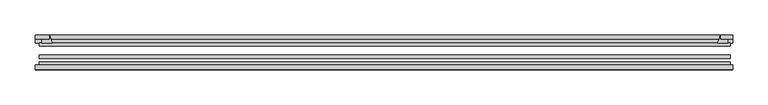
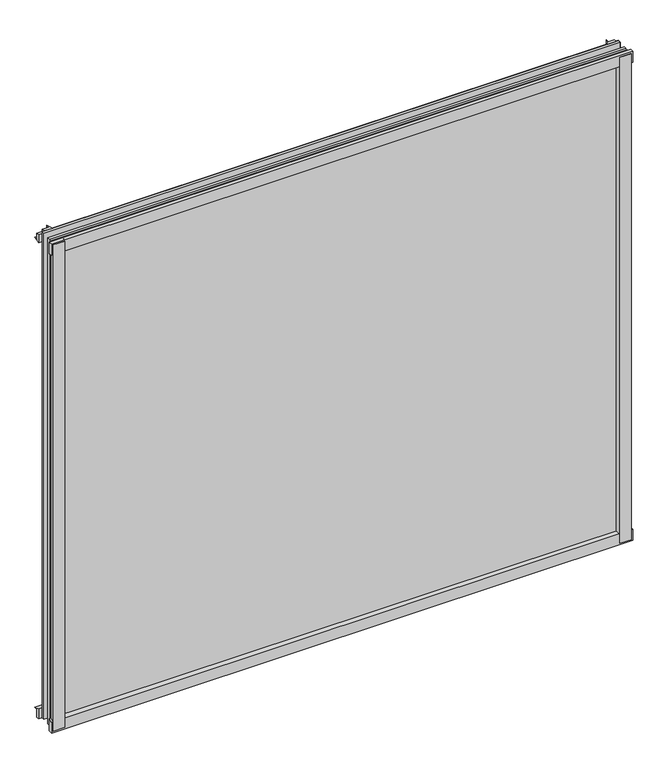
"""IFC4 building model written with IfcOpenShell, lengths in millimetres: plate geometry."""

from ifc_helpers import new_model, si_unit, point, frame, frame_2d, origin, place, context, project, spatial, polyline, circle_curve, trimmed, segment, composite_curve, outline, extrude, source, transform, mapped, element, save


def plate_a7a33a2c(model_context):
    return source(origin(), model_context, "Body", "SweptSolid", [
        extrude(outline(composite_curve([segment(polyline([(-490.72165, -78.7828625), (-469.3004487, -78.7828625)]), True, "CONTINUOUS"), segment(trimmed(circle_curve(frame_2d((-461.6632831, -84.652782)), 9.6323545), [point((-469.3004487, -78.7828625))], [point((-471.2836665, -85.1328625))], True, "CARTESIAN"), True, "CONTINUOUS"), segment(polyline([(-471.2836665, -85.1328625), (-490.72165, -85.1328625), (-490.72165, -78.7828625)]), True, "CONTINUOUS")], self_intersect=False)), frame((0.0, 0.0, -14.2875), z_axis=(0.0, 0.0, 1.0), x_axis=(1.0, 0.0, 0.0)), (0.0, 0.0, 1.0), 869.95),
        extrude(outline(composite_curve([segment(polyline([(488.183869, -78.7828625), (488.183869, -85.1328625), (468.703979, -85.1328625)]), True, "CONTINUOUS"), segment(trimmed(circle_curve(frame_2d((459.0835956, -84.652782)), 9.6323545), [point((468.703979, -85.1328625))], [point((466.7207612, -78.7828625))], True, "CARTESIAN"), True, "CONTINUOUS"), segment(polyline([(466.7207612, -78.7828625), (488.183869, -78.7828625)]), True, "CONTINUOUS")], self_intersect=False)), frame((0.0, 0.0, -14.2875), z_axis=(0.0, 0.0, 1.0), x_axis=(1.0, 0.0, 0.0)), (0.0, 0.0, 1.0), 869.95),
        extrude(outline(composite_curve([segment(polyline([(-47.1852625, -14.2875), (-47.1852625, 3.9588469)]), True, "CONTINUOUS"), segment(trimmed(circle_curve(frame_2d((-30.6824422, 32.267054)), 32.7673262), [point((-47.1852625, 3.9588469))], [point((-36.3503395, -0.00635))], True, "CARTESIAN"), True, "CONTINUOUS"), segment(polyline([(-36.3503395, -0.00635), (-42.2830625, -0.00635), (-42.2830625, -14.2875), (-47.1852625, -14.2875)]), True, "CONTINUOUS")], self_intersect=False)), frame((-493.89665, 0.0, 0.0), z_axis=(1.0, 0.0, 0.0), x_axis=(0.0, 1.0, 0.0)), (0.0, 0.0, 1.0), 985.2136125),
        extrude(outline(composite_curve([segment(polyline([(-78.7828625, -16.8821065), (-85.1328625, -16.8821065), (-85.1328625, 2.5977835)]), True, "CONTINUOUS"), segment(trimmed(circle_curve(frame_2d((-84.652782, 12.2181669)), 9.6323545), [point((-85.1328625, 2.5977835))], [point((-78.7828625, 4.5810013))], True, "CARTESIAN"), True, "CONTINUOUS"), segment(polyline([(-78.7828625, 4.5810013), (-78.7828625, -16.8821065)]), True, "CONTINUOUS")], self_intersect=False)), frame((-493.89665, 0.0, 0.0), z_axis=(1.0, 0.0, 0.0), x_axis=(0.0, 1.0, 0.0)), (0.0, 0.0, 1.0), 985.2136125),
        extrude(outline(composite_curve([segment(polyline([(-47.1852625, 837.4034531), (-47.1852625, 852.0752564), (-42.2830625, 852.0752564), (-42.2830625, 841.375), (-36.3140625, 841.375)]), True, "CONTINUOUS"), segment(trimmed(circle_curve(frame_2d((-30.6824422, 809.095246)), 32.7673262), [point((-36.3140625, 841.375))], [point((-47.1852625, 837.4034531))], True, "CARTESIAN"), True, "CONTINUOUS")], self_intersect=False)), frame((-493.89665, 0.0, 0.0), z_axis=(1.0, 0.0, 0.0), x_axis=(0.0, 1.0, 0.0)), (0.0, 0.0, 1.0), 985.2136125),
        extrude(outline(composite_curve([segment(polyline([(-78.7828625, 858.2444065), (-78.7828625, 836.7812987)]), True, "CONTINUOUS"), segment(trimmed(circle_curve(frame_2d((-84.652782, 829.1441331)), 9.6323545), [point((-78.7828625, 836.7812987))], [point((-85.1328625, 838.7645165))], True, "CARTESIAN"), True, "CONTINUOUS"), segment(polyline([(-85.1328625, 838.7645165), (-85.1328625, 858.2444065), (-78.7828625, 858.2444065)]), True, "CONTINUOUS")], self_intersect=False)), frame((-493.89665, 0.0, 0.0), z_axis=(1.0, 0.0, 0.0), x_axis=(0.0, 1.0, 0.0)), (0.0, 0.0, 1.0), 985.2136125),
        extrude(outline(composite_curve([segment(trimmed(circle_curve(frame_2d((441.5747085, -30.6824422)), 32.7673262), [point((469.8829156, -47.1852625))], [point((473.8544625, -36.3140625))], True, "CARTESIAN"), True, "CONTINUOUS"), segment(polyline([(473.8544625, -36.3140625), (473.8544625, -42.2830625), (484.5548278, -42.2830625), (484.5548278, -47.1852625), (469.8829156, -47.1852625)]), True, "CONTINUOUS")], self_intersect=False)), frame((0.0, 0.0, -14.2875), z_axis=(0.0, 0.0, 1.0), x_axis=(1.0, 0.0, 0.0)), (0.0, 0.0, 1.0), 869.95),
        extrude(outline(composite_curve([segment(polyline([(-469.8829156, -47.1852625), (-484.5496717, -47.1852625), (-484.5496717, -42.2830625), (-473.8544625, -42.2830625), (-473.8544625, -36.3140625)]), True, "CONTINUOUS"), segment(trimmed(circle_curve(frame_2d((-441.5747085, -30.6824422)), 32.7673262), [point((-473.8544625, -36.3140625))], [point((-469.8829156, -47.1852625))], True, "CARTESIAN"), True, "CONTINUOUS")], self_intersect=False)), frame((0.0, 0.0, -14.2875), z_axis=(0.0, 0.0, 1.0), x_axis=(1.0, 0.0, 0.0)), (0.0, 0.0, 1.0), 869.95),
        extrude(outline(polyline([(488.1419625, -64.6604625), (488.1419625, -69.4356625), (-488.1419625, -69.4356625), (-488.1419625, -64.6604625), (488.1419625, -64.6604625)])), frame((0.0, 0.0, -14.2875), z_axis=(0.0, 0.0, 1.0), x_axis=(1.0, 0.0, 0.0)), (0.0, 0.0, 1.0), 869.95),
        extrude(outline(polyline([(-488.1419625, -78.7828625), (-488.1419625, -74.0076625), (488.1419625, -74.0076625), (488.1419625, -78.7828625), (-488.1419625, -78.7828625)])), frame((0.0, 0.0, -14.2875), z_axis=(0.0, 0.0, 1.0), x_axis=(1.0, 0.0, 0.0)), (0.0, 0.0, 1.0), 869.95),
        extrude(outline(polyline([(-488.1419625, -47.1852625), (488.1419625, -47.1852625), (488.1419625, -51.9604625), (-488.1419625, -51.9604625), (-488.1419625, -47.1852625)])), frame((0.0, 0.0, -14.2875), z_axis=(0.0, 0.0, 1.0), x_axis=(1.0, 0.0, 0.0)), (0.0, 0.0, 1.0), 869.95),
    ])


if __name__ == "__main__":
    model = new_model("IFC4")
    model_context = context("Model", 3, world=origin())
    ifc_project = project(units=[si_unit("LENGTHUNIT", "METRE", prefix="MILLI")], contexts=[model_context])
    site = spatial("IfcSite", under=ifc_project)
    building = spatial("IfcBuilding", under=site)
    placement = place(None, origin())
    plate_shape = plate_a7a33a2c(model_context)
    element("IfcPlate", 1, at=placement, inside=building, context=model_context, shape_type="MappedRepresentation", body=[
        mapped(plate_shape, transform((0.0, 0.0, 0.0), x_axis=(1.0, 0.0, 0.0), y_axis=(0.0, 1.0, 0.0), z_axis=(0.0, 0.0, 1.0))),
    ])
    save(model, "model.ifc")
